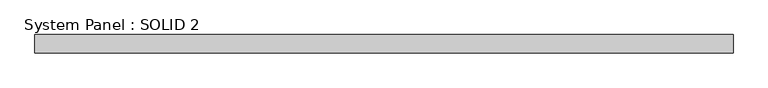
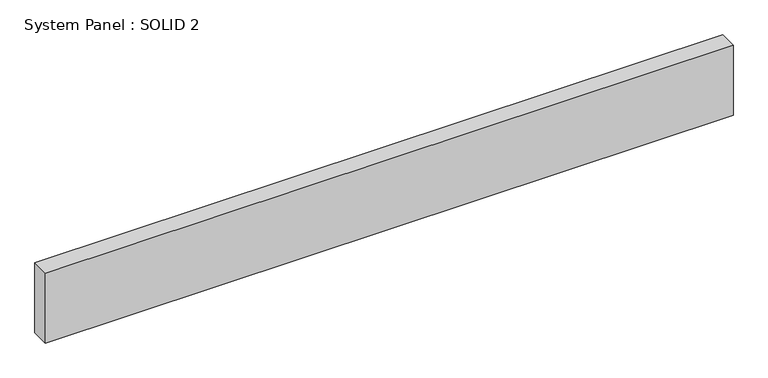
"""IFC4 building model written with IfcOpenShell, lengths in millimetres: plate geometry, System Panel : SOLID 2."""

from ifc_helpers import new_model, si_unit, origin, origin_with_axes, place, context, project, spatial, polyline, outline, extrude, source, transform, mapped, element, save


def system_panel_solid_2_481dabea(model_context):
    return source(origin(), model_context, "Body", "SweptSolid", [
        extrude(outline(polyline([(1507.5, 80.0), (-1507.5, 80.0), (-1507.5, 160.0), (1507.5, 160.0), (1507.5, 80.0)])), origin_with_axes(), (0.0, 0.0, 1.0), 324.3333333),
    ])


if __name__ == "__main__":
    model = new_model("IFC4")
    model_context = context("Model", 3, world=origin())
    ifc_project = project(units=[si_unit("LENGTHUNIT", "METRE", prefix="MILLI")], contexts=[model_context])
    site = spatial("IfcSite", under=ifc_project)
    building = spatial("IfcBuilding", under=site)
    placement = place(None, origin())
    system_panel_solid_2_shape = system_panel_solid_2_481dabea(model_context)
    element("IfcPlate", 1, ObjectType="System Panel : SOLID 2", at=placement, inside=building, context=model_context, shape_type="MappedRepresentation", body=[
        mapped(system_panel_solid_2_shape, transform((0.0, 0.0, 0.0), x_axis=(1.0, 0.0, 0.0), y_axis=(0.0, 1.0, 0.0), z_axis=(0.0, 0.0, 1.0))),
    ])
    save(model, "model.ifc")
